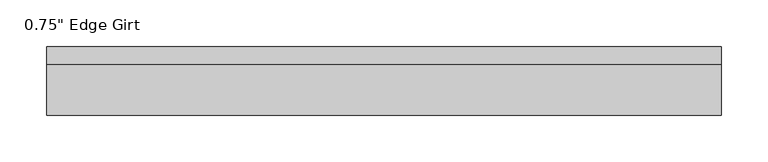
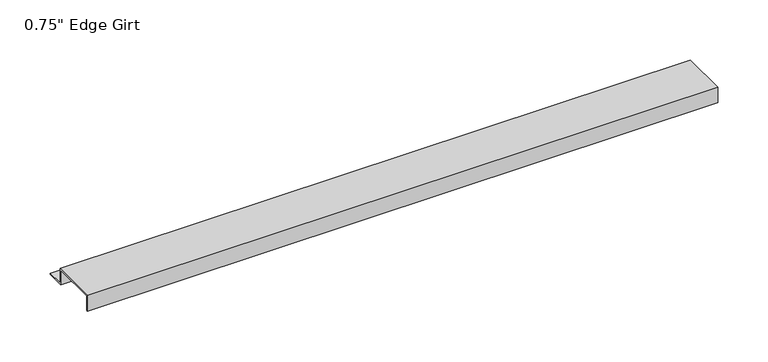
"""IFC4 building model written with IfcOpenShell, lengths in millimetres: proxy geometry."""

from ifc_helpers import new_model, si_unit, frame, origin, place, context, project, spatial, polyline, outline, extrude, source, transform, mapped, element, save


def proxy_1411dc18(model_context):
    return source(origin(), model_context, "Body", "SweptSolid", [
        extrude(outline(polyline([(46.0559645, -17.4375), (25.4, -17.4375), (25.4, 0.0), (-25.4, 0.0), (-25.4, -17.4375), (-27.0129, -17.4375), (-27.0129, 1.6129), (27.0129, 1.6129), (27.0129, -15.8242), (46.0559645, -15.8242), (46.0559645, -17.4375)])), frame((0.0, 0.0, 0.0), z_axis=(1.0, 0.0, 0.0), x_axis=(0.0, 1.0, 0.0)), (0.0, 0.0, 1.0), 720.6880709),
    ])


if __name__ == "__main__":
    model = new_model("IFC4")
    model_context = context("Model", 3, world=origin())
    ifc_project = project(units=[si_unit("LENGTHUNIT", "METRE", prefix="MILLI")], contexts=[model_context])
    site = spatial("IfcSite", under=ifc_project)
    building = spatial("IfcBuilding", under=site)
    placement = place(None, origin())
    proxy_shape = proxy_1411dc18(model_context)
    element("IfcBuildingElementProxy", 1, Name="0.75\" Edge Girt", ObjectType="0.75\" Edge Girt", at=placement, inside=building, context=model_context, shape_type="MappedRepresentation", body=[
        mapped(proxy_shape, transform((0.0, 0.0, 0.0), x_axis=(1.0, 0.0, 0.0), y_axis=(0.0, 1.0, 0.0), z_axis=(0.0, 0.0, 1.0))),
    ])
    save(model, "model.ifc")
